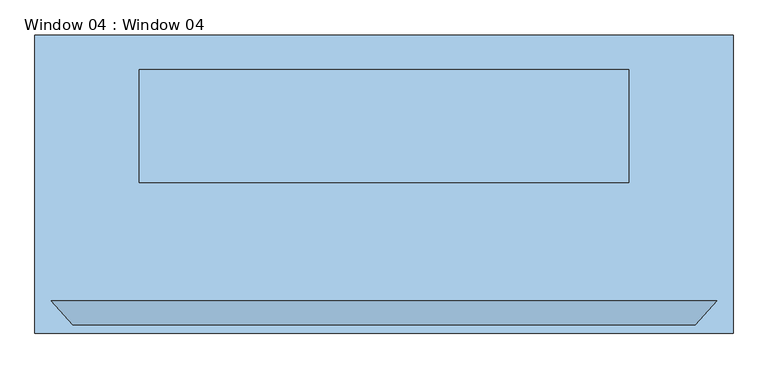
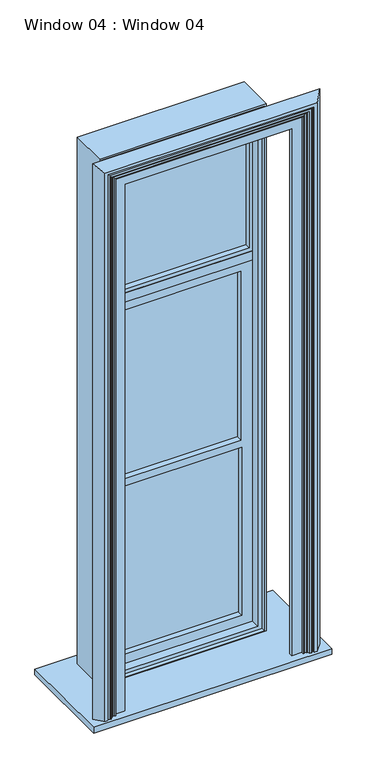
"""IFC4 building model written with IfcOpenShell, lengths in millimetres: window geometry, Window 04 : Window 04."""

from ifc_helpers import new_model, si_unit, frame, origin, place, context, project, spatial, polyline, outline, extrude, faceted_brep, source, transform, mapped, element, save


def window_04_window_04_7cc86126(model_context):
    return source(origin(), model_context, "Body", "SolidModel", [
        extrude(outline(polyline([(494.7049351, 50.8), (-494.7049351, 50.8), (-494.7049351, 127.0), (494.7049351, 127.0), (494.7049351, 50.8)])), frame((0.0, 0.0, 3439.6178959), z_axis=(0.0, 0.0, 1.0), x_axis=(1.0, 0.0, 0.0)), (0.0, 0.0, 1.0), 63.5),
        extrude(outline(polyline([(765.302, -361.95), (-765.302, -361.95), (-765.302, 292.1), (765.302, 292.1), (765.302, -361.95)])), frame((0.0, 0.0, 914.4), z_axis=(0.0, 0.0, 1.0), x_axis=(1.0, 0.0, 0.0)), (0.0, 0.0, 1.0), 38.1),
        faceted_brep([(536.702, -292.1, 952.5), (729.4850809, -292.1, 952.5), (682.8444656, -343.9582935, 952.5), (663.6333909, -343.9582935, 952.5), (663.6333909, -332.449835, 952.5), (658.4839991, -332.449835, 952.5), (650.338647, -340.2869133, 952.5), (638.3736738, -340.2869133, 952.5), (631.0153111, -328.1364376, 952.5), (625.7907572, -328.1364376, 952.5), (615.4653264, -319.8569351, 952.5), (608.6652974, -325.9244725, 952.5), (603.0795017, -325.9244725, 952.5), (603.0795017, -310.7962122, 952.5), (536.702, -310.7962122, 952.5), (-536.702, -292.1, 952.5), (-536.702, -310.7962122, 952.5), (-603.0795017, -310.7962122, 952.5), (-603.0795017, -325.9244725, 952.5), (-608.6652974, -325.9244725, 952.5), (-615.4653264, -319.8569351, 952.5), (-625.7907572, -328.1364376, 952.5), (-631.0153111, -328.1364376, 952.5), (-638.3736738, -340.2869133, 952.5), (-650.338647, -340.2869133, 952.5), (-658.4839991, -332.449835, 952.5), (-663.6333909, -332.449835, 952.5), (-663.6333909, -343.9582935, 952.5), (-682.8444656, -343.9582935, 952.5), (-729.4850809, -292.1, 952.5), (536.702, -292.1, 4535.678), (-536.702, -292.1, 4535.678), (-729.4850809, -292.1, 4728.4610809), (729.4850809, -292.1, 4728.4610809), (682.8444656, -343.9582935, 4681.8204656), (-682.8444656, -343.9582935, 4681.8204656), (-663.6333909, -343.9582935, 4662.6093909), (663.6333909, -343.9582935, 4662.6093909), (663.6333909, -332.449835, 4662.6093909), (-663.6333909, -332.449835, 4662.6093909), (-658.4839991, -332.449835, 4657.4599991), (658.4839991, -332.449835, 4657.4599991), (650.338647, -340.2869133, 4649.314647), (-650.338647, -340.2869133, 4649.314647), (-638.3736738, -340.2869133, 4637.3496738), (638.3736738, -340.2869133, 4637.3496738), (631.0153111, -328.1364376, 4629.9913111), (-631.0153111, -328.1364376, 4629.9913111), (-625.7907572, -328.1364376, 4624.7667572), (625.7907572, -328.1364376, 4624.7667572), (615.4653264, -319.8569351, 4614.4413264), (608.6652974, -325.9244725, 4607.6412974), (-608.6652974, -325.9244725, 4607.6412974), (-603.0795017, -325.9244725, 4602.0555017), (603.0795017, -325.9244725, 4602.0555017), (603.0795017, -310.7962122, 4602.0555017), (-603.0795017, -310.7962122, 4602.0555017), (-536.702, -310.7962122, 4535.678), (536.702, -310.7962122, 4535.678), (-615.4653264, -319.8569351, 4614.4413264)], [[[0, 1, 2, 3, 4, 5, 6, 7, 8, 9, 10, 11, 12, 13, 14]], [[15, 16, 17, 18, 19, 20, 21, 22, 23, 24, 25, 26, 27, 28, 29]], [[1, 0, 30, 31, 15, 29, 32, 33]], [[2, 1, 33, 34]], [[3, 2, 34, 35, 28, 27, 36, 37]], [[4, 3, 37, 38]], [[5, 4, 38, 39, 26, 25, 40, 41]], [[6, 5, 41, 42]], [[7, 6, 42, 43, 24, 23, 44, 45]], [[8, 7, 45, 46]], [[9, 8, 46, 47, 22, 21, 48, 49]], [[10, 9, 49, 50]], [[11, 10, 50, 51]], [[12, 11, 51, 52, 19, 18, 53, 54]], [[13, 12, 54, 55]], [[14, 13, 55, 56, 17, 16, 57, 58]], [[0, 14, 58, 30]], [[31, 57, 16, 15]], [[56, 53, 18, 17]], [[52, 59, 20, 19]], [[59, 48, 21, 20]], [[47, 44, 23, 22]], [[43, 40, 25, 24]], [[39, 36, 27, 26]], [[35, 32, 29, 28]], [[30, 58, 57, 31]], [[34, 33, 32, 35]], [[38, 37, 36, 39]], [[42, 41, 40, 43]], [[46, 45, 44, 47]], [[50, 49, 48, 59]], [[51, 50, 59, 52]], [[55, 54, 53, 56]]]),
        extrude(outline(polyline([(473.1671779, 88.9), (-473.1671779, 88.9), (-473.1671779, 114.3), (473.1671779, 114.3), (473.1671779, 88.9)])), frame((0.0, 0.0, 3528.5178959), z_axis=(0.0, 0.0, 1.0), x_axis=(1.0, 0.0, 0.0)), (0.0, 0.0, 1.0), 930.9070471),
        extrude(outline(polyline([(418.5049351, 88.9), (-418.5049351, 88.9), (-418.5049351, 114.3), (418.5049351, 114.3), (418.5049351, 88.9)])), frame((0.0, 0.0, 2241.55), z_axis=(0.0, 0.0, 1.0), x_axis=(1.0, 0.0, 0.0)), (0.0, 0.0, 1.0), 1146.669093),
        extrude(outline(polyline([(425.45, 88.9), (-425.45, 88.9), (-425.45, 114.3), (425.45, 114.3), (425.45, 88.9)])), frame((0.0, 0.0, 1047.75), z_axis=(0.0, 0.0, 1.0), x_axis=(1.0, 0.0, 0.0)), (0.0, 0.0, 1.0), 1143.0),
        extrude(outline(polyline([(4497.524943, 494.7049351), (4497.524943, -494.7049351), (3503.1178959, -494.7049351), (3503.1178959, 494.7049351), (4497.524943, 494.7049351)]), holes=[polyline([(4459.424943, 473.1671779), (3528.5178959, 473.1671779), (3528.5178959, -473.1671779), (4459.424943, -473.1671779), (4459.424943, 473.1671779)])]), frame((0.0, 50.8, 0.0), z_axis=(0.0, 1.0, 0.0), x_axis=(0.0, 0.0, 1.0)), (0.0, 0.0, 1.0), 76.2),
        extrude(outline(polyline([(3439.6178959, 494.7049351), (3439.6178959, -494.7049351), (984.25, -494.7049351), (984.25, 494.7049351), (3439.6178959, 494.7049351)]), holes=[polyline([(2190.75, 425.45), (1047.75, 425.45), (1047.75, -425.45), (2190.75, -425.45), (2190.75, 425.45)]), polyline([(3388.219093, 418.5049351), (2241.55, 418.5049351), (2241.55, -418.5049351), (3388.219093, -418.5049351), (3388.219093, 418.5049351)])]), frame((0.0, 50.8, 0.0), z_axis=(0.0, 1.0, 0.0), x_axis=(0.0, 0.0, 1.0)), (0.0, 0.0, 1.0), 76.2),
        extrude(outline(polyline([(4522.924943, 523.9671779), (4522.924943, -523.9671779), (958.85, -523.9671779), (958.85, 523.9671779), (4522.924943, 523.9671779)]), holes=[polyline([(4497.524943, 494.7049351), (984.25, 494.7049351), (984.25, -494.7049351), (4497.524943, -494.7049351), (4497.524943, 494.7049351)])]), frame((0.0, -6.35, 0.0), z_axis=(0.0, 1.0, 0.0), x_axis=(0.0, 0.0, 1.0)), (0.0, 0.0, 1.0), 196.85),
        extrude(outline(polyline([(4535.678, 536.702), (4535.678, -536.702), (952.5, -536.702), (952.5, 536.702), (4535.678, 536.702)]), holes=[polyline([(958.85, 523.9671779), (958.85, -523.9671779), (4522.924943, -523.9671779), (4522.924943, 523.9671779), (958.85, 523.9671779)])]), frame((0.0, -31.75, 0.0), z_axis=(0.0, 1.0, 0.0), x_axis=(0.0, 0.0, 1.0)), (0.0, 0.0, 1.0), 247.65),
    ])


if __name__ == "__main__":
    model = new_model("IFC4")
    model_context = context("Model", 3, world=origin())
    ifc_project = project(units=[si_unit("LENGTHUNIT", "METRE", prefix="MILLI")], contexts=[model_context])
    site = spatial("IfcSite", under=ifc_project)
    building = spatial("IfcBuilding", under=site)
    placement = place(None, origin())
    window_04_window_04_shape = window_04_window_04_7cc86126(model_context)
    element("IfcWindow", 1, ObjectType="Window 04 : Window 04", at=placement, inside=building, context=model_context, shape_type="MappedRepresentation", body=[
        mapped(window_04_window_04_shape, transform((0.0, 0.0, 0.0), x_axis=(1.0, 0.0, 0.0), y_axis=(0.0, 1.0, 0.0), z_axis=(0.0, 0.0, 1.0))),
    ])
    save(model, "model.ifc")
